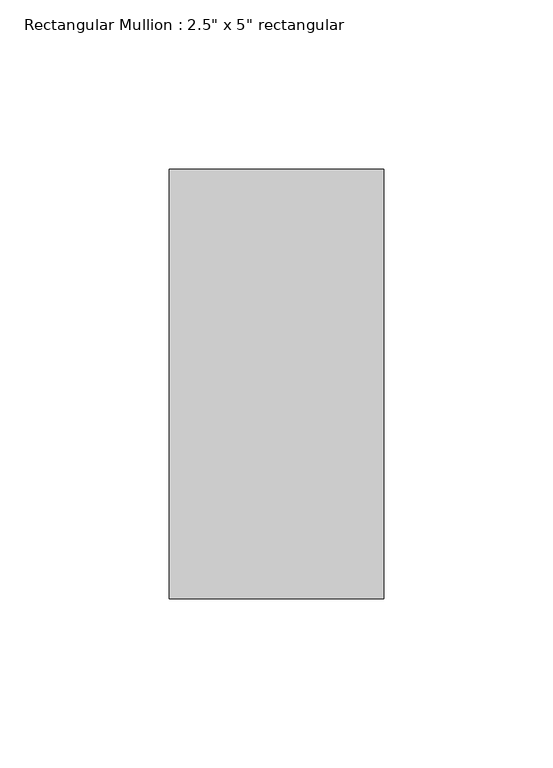
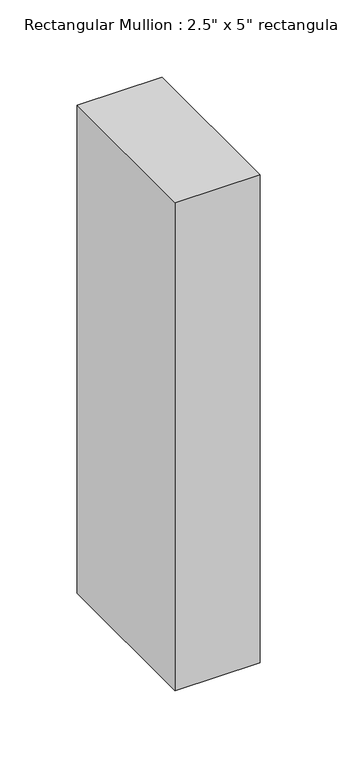
"""IFC4 building model written with IfcOpenShell, lengths in millimetres: member geometry."""

from ifc_helpers import new_model, si_unit, frame, origin, place, context, project, spatial, polyline, outline, extrude, source, transform, mapped, element, save


def member_1472f343(model_context):
    return source(origin(), model_context, "Body", "SweptSolid", [
        extrude(outline(polyline([(31.75, 63.5), (31.75, -63.5), (-31.75, -63.5), (-31.75, 63.5), (31.75, 63.5)])), frame((0.0, 0.0, -386.1989801), z_axis=(0.0, 0.0, 1.0), x_axis=(1.0, 0.0, 0.0)), (0.0, 0.0, 1.0), 386.1989801),
    ])


if __name__ == "__main__":
    model = new_model("IFC4")
    model_context = context("Model", 3, world=origin())
    ifc_project = project(units=[si_unit("LENGTHUNIT", "METRE", prefix="MILLI")], contexts=[model_context])
    site = spatial("IfcSite", under=ifc_project)
    building = spatial("IfcBuilding", under=site)
    placement = place(None, origin())
    member_shape = member_1472f343(model_context)
    element("IfcMember", 1, ObjectType="Rectangular Mullion : 2.5\" x 5\" rectangular", at=placement, inside=building, context=model_context, shape_type="MappedRepresentation", body=[
        mapped(member_shape, transform((0.0, 0.0, 0.0), x_axis=(1.0, 0.0, 0.0), y_axis=(0.0, 1.0, 0.0), z_axis=(0.0, 0.0, 1.0))),
    ])
    save(model, "model.ifc")
